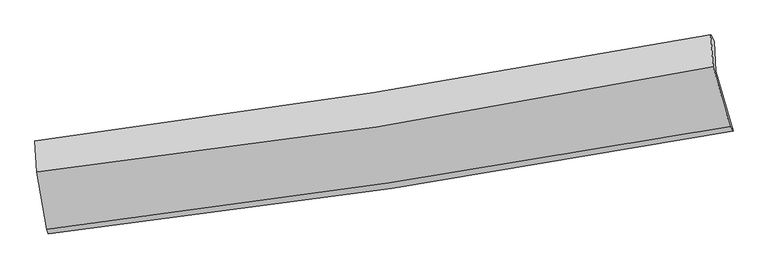
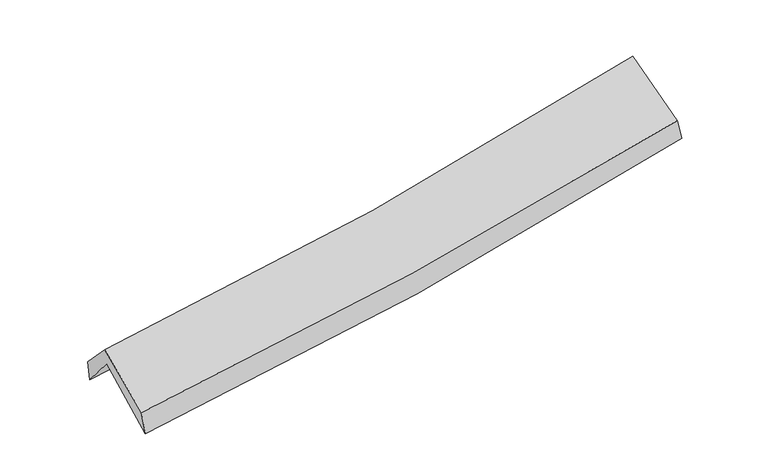
"""IFC4 building model written with IfcOpenShell, lengths in millimetres: proxy geometry."""

from ifc_helpers import new_model, si_unit, frame, origin, place, context, project, spatial, source, transform, mapped, element, save
from ifc_brep_helpers import plane_surface, spline_curve, spline_surface, advanced_brep


def generic_models_8c03826a(model_context):
    return source(origin(), model_context, "Body", "AdvancedBrep", [
        advanced_brep(
        [(-2770.1076971, -2499.0428861, 1455.0164781), (-2857.020221, -1997.0136357, 1900.7312949), (2789.2284249, -1140.4140742, 2392.3361976), (2932.0190165, -1638.7665659, 1967.8824645), (-2870.6359727, -1740.5052788, 1581.7626132), (2776.907603, -890.9267004, 2081.1213571), (-2882.7417835, -1724.8592771, 1762.4993295), (2747.7943051, -837.9488309, 2249.583052), (-2866.7555699, -1981.0428379, 2038.6705653), (2764.7797642, -1101.0851664, 2542.4997975), (-2785.9736316, -2460.9727812, 1653.4959475), (2906.4935019, -1603.0545593, 2133.67109)],
        [
            (0, 1),
            (1, 2, spline_curve(3, [(-2857.020221, -1997.0136357, 1900.7312949), (-1909.773942022, -1889.781099669, 1954.116754852), (-966.369514444, -1764.922612018, 2021.689134116), (915.737794356, -1479.501491337, 2185.467234227), (1854.416248415, -1318.826791694, 2281.76315558), (2789.2284249, -1140.4140742, 2392.3361976)], [4, 2, 4], [0.0, 9.438323373677612, 18.906603815906287])),
            (2, 3),
            (3, 0, spline_curve(3, [(2932.0190165, -1638.7665659, 1967.8824645), (1988.551527593, -1815.731250031, 1848.549409498), (1040.881000527, -1975.990448528, 1746.103045516), (-859.854458149, -2262.643679178, 1575.254404333), (-1812.892835898, -2389.143253863, 1506.745439625), (-2770.1076971, -2499.0428861, 1455.0164781)], [4, 2, 4], [0.0, 9.468280442228675, 18.906603815906287])),
            (1, 4),
            (4, 5, spline_curve(3, [(-2870.6359727, -1740.5052788, 1581.7626132), (-1923.285306444, -1632.084095635, 1633.378083184), (-979.721032892, -1507.213572468, 1700.708172409), (902.817566574, -1224.125298228, 1867.061173204), (1841.767818082, -1065.802962406, 1966.183998169), (2776.907603, -890.9267004, 2081.1213571)], [4, 2, 4], [0.0, 9.391920402465072, 18.813650591285572])),
            (5, 2),
            (4, 6),
            (6, 7, spline_curve(3, [(-2882.7417835, -1724.8592771, 1762.4993295), (-1939.286332835, -1602.286123225, 1812.704427477), (-999.085555937, -1467.227264263, 1878.30853434), (877.780500408, -1171.669833748, 2040.571867691), (1814.425086232, -1011.091876775, 2137.329001764), (2747.7943051, -837.9488309, 2249.583052)], [4, 2, 4], [0.0, 9.382264006283533, 18.794307149694774])),
            (7, 5),
            (6, 8),
            (8, 9, spline_curve(3, [(-2866.7555699, -1981.0428379, 2038.6705653), (-1920.543985497, -1877.157128546, 2094.637337443), (-978.879951572, -1752.03436035, 2164.517886612), (898.327406828, -1458.850162792, 2332.372499469), (1833.841817367, -1290.65370694, 2430.43502802), (2764.7797642, -1101.0851664, 2542.4997975)], [4, 2, 4], [0.0, 9.373795121502992, 18.77734250004579])),
            (9, 7),
            (8, 10),
            (10, 11, spline_curve(3, [(-2785.9736316, -2460.9727812, 1653.4959475), (-1832.291559757, -2345.629345996, 1706.902116003), (-881.824791814, -2216.599442857, 1773.535402064), (1015.684695917, -1930.713721549, 1933.50968442), (1962.706972302, -1773.770884066, 2026.934779284), (2906.4935019, -1603.0545593, 2133.67109)], [4, 2, 4], [0.0, 9.419533528576865, 18.868964487074557])),
            (11, 9),
            (10, 0),
            (3, 11),
        ],
        [
            spline_surface(3, 3, [[(-2770.1076971, -2499.0428861, 1455.0164781), (-1812.892835808, -2389.143253889, 1506.74543977), (-859.854458198, -2262.643679028, 1575.254404472), (1040.881000576, -1975.990448679, 1746.103045376), (1988.551527502, -1815.731250176, 1848.549409467), (2932.0190165, -1638.7665659, 1967.8824645)], [(-2799.078538398, -2331.699802615, 1603.588083692), (-1845.186537928, -2222.689202433, 1655.869211473), (-895.359476921, -2096.736656705, 1724.065981074), (999.166598463, -1810.494129576, 1892.557774986), (1943.839767805, -1650.096430693, 1992.953991544), (2884.422152639, -1472.649068671, 2109.367042191)], [(-2828.049379702, -2164.356719185, 1752.159689308), (-1877.480240053, -2056.235151034, 1804.992983198), (-930.864495623, -1930.829634345, 1872.877557606), (957.452196371, -1644.997810435, 2039.012504526), (1899.12800809, -1484.461611195, 2137.358573647), (2836.825288761, -1306.531571429, 2250.851619909)], [(-2857.020221, -1997.0136357, 1900.7312949), (-1909.773942173, -1889.781099579, 1954.116754901), (-966.369514346, -1764.922612022, 2021.689134208), (915.737794259, -1479.501491333, 2185.467234135), (1854.416248392, -1318.826791712, 2281.763155724), (2789.2284249, -1140.4140742, 2392.3361976)]], [4, 4], [4, 2, 4], [0.0, 2.217140711813823], [0.0, 9.438323373677612, 18.906603815906287]),
            spline_surface(3, 3, [[(-2857.020221, -1997.0136357, 1900.7312949), (-1909.773942173, -1889.781099579, 1954.116754901), (-966.369514346, -1764.922612022, 2021.689134208), (915.737794259, -1479.501491333, 2185.467234135), (1854.416248392, -1318.826791712, 2281.763155724), (2789.2284249, -1140.4140742, 2392.3361976)], [(-2861.558804881, -1911.510850072, 1794.408400986), (-1914.277730207, -1803.8820983, 1847.203864301), (-970.820020516, -1679.019598785, 1914.695480323), (911.431051637, -1394.37609368, 2079.33188044), (1850.20010499, -1234.485515248, 2176.570103229), (2785.121484268, -1057.251616263, 2288.597917433)], [(-2866.097388819, -1826.008064428, 1688.085507114), (-1918.781518296, -1717.983097004, 1740.290973742), (-975.270526613, -1593.116585554, 1807.701826442), (907.124309088, -1309.250696032, 1973.19652675), (1845.983961584, -1150.144238794, 2071.377050736), (2781.014543632, -974.089158337, 2184.859637267)], [(-2870.6359727, -1740.5052788, 1581.7626132), (-1923.285306329, -1632.084095725, 1633.378083141), (-979.721032784, -1507.213572317, 1700.708172557), (902.817566466, -1224.125298379, 1867.061173055), (1841.767818182, -1065.802962329, 1966.183998241), (2776.907603, -890.9267004, 2081.1213571)]], [4, 4], [4, 2, 4], [0.0, 1.3454886864209237], [0.0, 9.391920402465072, 18.813650591285572]),
            spline_surface(3, 3, [[(-2870.6359727, -1740.5052788, 1581.7626132), (-1923.285306329, -1632.084095725, 1633.378083141), (-979.721032784, -1507.213572317, 1700.708172557), (902.817566466, -1224.125298379, 1867.061173055), (1841.767818182, -1065.802962329, 1966.183998241), (2776.907603, -890.9267004, 2081.1213571)], [(-2874.671242988, -1735.289944912, 1642.008185327), (-1928.618981832, -1622.151438205, 1693.153531313), (-986.175873811, -1493.884802999, 1759.908293153), (894.471877765, -1206.640143437, 1924.898071269), (1832.653574229, -1047.565933878, 2023.232332759), (2767.203170382, -873.267410588, 2137.275255413)], [(-2878.706513212, -1730.074610988, 1702.253757373), (-1933.95265727, -1612.218780648, 1752.928979404), (-992.630714851, -1480.556033728, 1819.108413744), (886.126189052, -1189.154988543, 1982.734969477), (1823.53933023, -1029.328905363, 2080.280667237), (2757.498737718, -855.608120712, 2193.429153687)], [(-2882.7417835, -1724.8592771, 1762.4993295), (-1939.286332773, -1602.286123128, 1812.704427575), (-999.085555879, -1467.227264409, 1878.30853434), (877.780500351, -1171.669833601, 2040.571867691), (1814.425086278, -1011.091876911, 2137.329001754), (2747.7943051, -837.9488309, 2249.583052)]], [4, 4], [4, 2, 4], [0.0, 0.6000344587957095], [0.0, 9.382264006283533, 18.794307149694774]),
            spline_surface(3, 3, [[(-2882.7417835, -1724.8592771, 1762.4993295), (-1939.286332773, -1602.286123128, 1812.704427575), (-999.085555879, -1467.227264409, 1878.30853434), (877.780500351, -1171.669833601, 2040.571867691), (1814.425086278, -1011.091876911, 2137.329001754), (2747.7943051, -837.9488309, 2249.583052)], [(-2877.413045608, -1810.253797364, 1854.556408082), (-1933.038883672, -1693.909791632, 1906.682064215), (-992.35035441, -1562.16296309, 1973.711651716), (884.629469135, -1267.396609949, 2137.838744975), (1820.897329955, -1104.279153603, 2235.031010492), (2753.456124777, -925.660942724, 2347.221967148)], [(-2872.084307792, -1895.648317636, 1946.613486718), (-1926.791434646, -1785.533460144, 2000.659700908), (-985.615152928, -1657.098661793, 2069.114769127), (891.478437931, -1363.123386321, 2235.105622295), (1827.369573702, -1197.466430324, 2332.733019286), (2759.117944523, -1013.373054576, 2444.860882352)], [(-2866.7555699, -1981.0428379, 2038.6705653), (-1920.543985544, -1877.157128648, 2094.637337548), (-978.879951459, -1752.034360474, 2164.517886502), (898.327406715, -1458.850162669, 2332.37249958), (1833.841817379, -1290.653707016, 2430.435028023), (2764.7797642, -1101.0851664, 2542.4997975)]], [4, 4], [4, 2, 4], [0.0, 1.335663445749217], [0.0, 9.373795121502992, 18.77734250004579]),
            spline_surface(3, 3, [[(-2866.7555699, -1981.0428379, 2038.6705653), (-1920.543985544, -1877.157128648, 2094.637337548), (-978.879951459, -1752.034360474, 2164.517886502), (898.327406715, -1458.850162669, 2332.37249958), (1833.841817379, -1290.653707016, 2430.435028023), (2764.7797642, -1101.0851664, 2542.4997975)], [(-2839.82825713, -2141.019485658, 1910.279026049), (-1891.126510281, -2033.314534469, 1965.392263746), (-946.528231524, -1906.889387993, 2034.190391709), (937.446503097, -1616.138015609, 2199.418227859), (1876.796869028, -1451.692765995, 2295.934945098), (2812.017676784, -1268.408297368, 2406.223561661)], [(-2812.90094437, -2300.996133442, 1781.887486751), (-1861.709035027, -2189.471940315, 1836.147189897), (-914.176511641, -2061.744415454, 1903.862896887), (976.565599426, -1773.425868492, 2066.46395611), (1919.751920623, -1612.73182497, 2161.43486219), (2859.255589316, -1435.731428332, 2269.947325839)], [(-2785.9736316, -2460.9727812, 1653.4959475), (-1832.291559763, -2345.629346136, 1706.902116095), (-881.824791706, -2216.599442973, 1773.535402094), (1015.684695808, -1930.713721433, 1933.509684389), (1962.706972272, -1773.770883949, 2026.934779265), (2906.4935019, -1603.0545593, 2133.67109)]], [4, 4], [4, 2, 4], [0.0, 2.0402218148612015], [0.0, 9.419533528576865, 18.868964487074557]),
            spline_surface(3, 3, [[(-2785.9736316, -2460.9727812, 1653.4959475), (-1832.291559763, -2345.629346136, 1706.902116095), (-881.824791706, -2216.599442973, 1773.535402094), (1015.684695808, -1930.713721433, 1933.509684389), (1962.706972272, -1773.770883949, 2026.934779265), (2906.4935019, -1603.0545593, 2133.67109)], [(-2780.684986793, -2473.662816178, 1587.336124364), (-1825.825318471, -2360.133982065, 1640.183223984), (-874.501347189, -2231.947521652, 1707.441736199), (1024.083464078, -1945.805963842, 1871.040804697), (1971.321823998, -1787.757672678, 1967.472989353), (2915.00200675, -1614.958561487, 2078.408214854)], [(-2775.396341907, -2486.352851122, 1521.176301236), (-1819.3590771, -2374.63861796, 1573.464331881), (-867.177902715, -2247.295600349, 1641.348070367), (1032.482232306, -1960.89820627, 1808.571925069), (1979.936675776, -1801.744461447, 1908.011199379), (2923.51051165, -1626.862563713, 2023.145339646)], [(-2770.1076971, -2499.0428861, 1455.0164781), (-1812.892835808, -2389.143253889, 1506.74543977), (-859.854458198, -2262.643679028, 1575.254404472), (1040.881000576, -1975.990448679, 1746.103045376), (1988.551527502, -1815.731250176, 1848.549409467), (2932.0190165, -1638.7665659, 1967.8824645)]], [4, 4], [4, 2, 4], [0.0, 0.6547167597605092], [0.0, 9.474456107214277, 18.978983967625673]),
            plane_surface(frame((2819.5371026, -1202.0326495, 2227.8489931), z_axis=(0.9763749150627616, 0.18581039603187194, 0.11030195810892922), x_axis=(0.2138367212240574, -0.7574388399844577, -0.6168956640625252))),
            plane_surface(frame((-2838.8724793, -2067.2394495, 1732.0293714), z_axis=(-0.9909589820918413, -0.1220049003528114, -0.05581308181244515), x_axis=(-0.07826549100297754, 0.1877970358514415, 0.9790846675561187))),
        ],
        [
            (0, [[1, 2, 3, 4]]),
            (1, [[5, 6, 7, -2]]),
            (2, [[8, 9, 10, -6]]),
            (3, [[11, 12, 13, -9]]),
            (4, [[14, 15, 16, -12]]),
            (5, [[17, -4, 18, -15]]),
            (6, [[-16, -18, -3, -7, -10, -13]]),
            (7, [[-17, -14, -11, -8, -5, -1]]),
        ],
    ),
    ])


if __name__ == "__main__":
    model = new_model("IFC4")
    model_context = context("Model", 3, world=origin())
    ifc_project = project(units=[si_unit("LENGTHUNIT", "METRE", prefix="MILLI")], contexts=[model_context])
    site = spatial("IfcSite", under=ifc_project)
    building = spatial("IfcBuilding", under=site)
    placement = place(None, origin())
    generic_models_shape = generic_models_8c03826a(model_context)
    element("IfcBuildingElementProxy", 1, Name="Generic Models", at=placement, inside=building, context=model_context, shape_type="MappedRepresentation", body=[
        mapped(generic_models_shape, transform((0.0, 0.0, 0.0), x_axis=(1.0, 0.0, 0.0), y_axis=(0.0, 1.0, 0.0), z_axis=(0.0, 0.0, 1.0))),
    ])
    save(model, "model.ifc")
